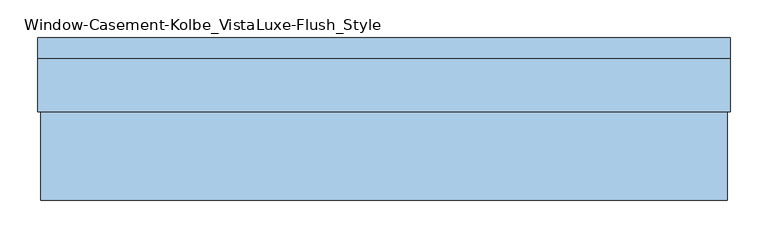
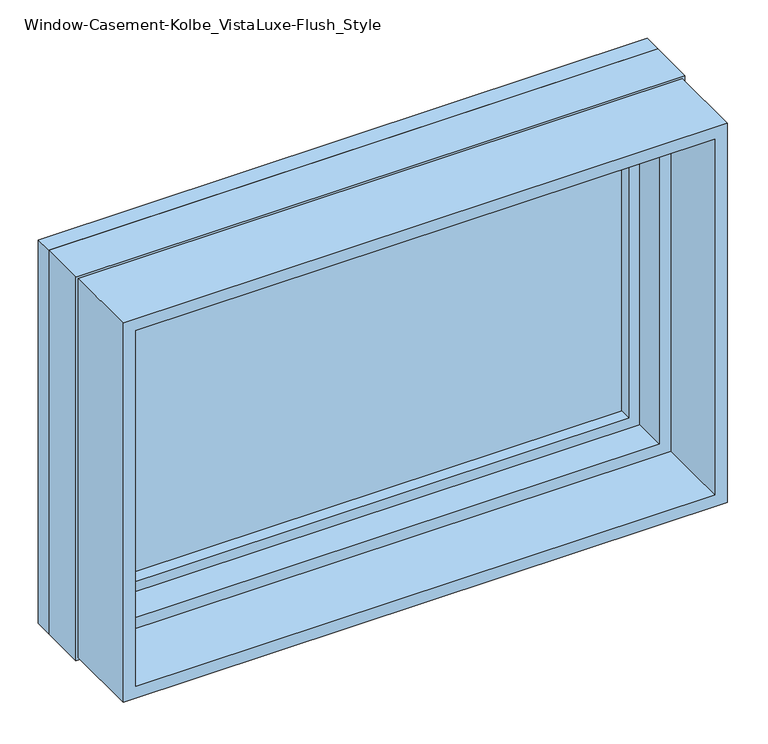
"""IFC4 building model written with IfcOpenShell, lengths in millimetres: window geometry, Window-Casement-Kolbe_VistaLuxe-Flush_Style."""

from ifc_helpers import new_model, si_unit, frame, origin, place, context, project, spatial, polyline, outline, extrude, faceted_brep, source, transform, mapped, element, save


def window_casement_kolbe_vistaluxe_flush_style_305bfb94(model_context):
    return source(origin(), model_context, "Body", "SolidModel", [
        faceted_brep([(-406.4696599, 111.85398, 970.676875), (395.3765901, 111.85398, 970.676875), (395.3765901, 119.79148, 970.676875), (-406.4696599, 119.79148, 970.676875), (-422.3446599, 89.60358, 954.801875), (411.2515901, 89.60358, 954.801875), (411.2515901, 111.85398, 954.801875), (-422.3446599, 111.85398, 954.801875), (-406.4696599, 70.57898, 970.676875), (395.3765901, 70.57898, 970.676875), (395.3765901, 89.60358, 970.676875), (-406.4696599, 89.60358, 970.676875), (-450.9196599, 119.79148, 926.226875), (439.8265901, 119.79148, 926.226875), (439.8265901, 70.57898, 926.226875), (-450.9196599, 70.57898, 926.226875), (395.3765901, 111.85398, 1467.723125), (395.3765901, 119.79148, 1467.723125), (411.2515901, 89.60358, 1483.598125), (411.2515901, 111.85398, 1483.598125), (395.3765901, 70.57898, 1467.723125), (395.3765901, 89.60358, 1467.723125), (439.8265901, 119.79148, 1512.173125), (439.8265901, 70.57898, 1512.173125), (-406.4696599, 111.85398, 1467.723125), (-406.4696599, 119.79148, 1467.723125), (-422.3446599, 89.60358, 1483.598125), (-422.3446599, 111.85398, 1483.598125), (-406.4696599, 70.57898, 1467.723125), (-406.4696599, 89.60358, 1467.723125), (-450.9196599, 119.79148, 1512.173125), (-450.9196599, 70.57898, 1512.173125)], [[[0, 1, 2, 3]], [[4, 5, 6, 7]], [[8, 9, 10, 11]], [[12, 13, 14, 15]], [[1, 16, 17, 2]], [[5, 18, 19, 6]], [[9, 20, 21, 10]], [[13, 22, 23, 14]], [[16, 24, 25, 17]], [[18, 26, 27, 19]], [[20, 28, 29, 21]], [[22, 30, 31, 23]], [[24, 0, 3, 25]], [[7, 6, 19, 27], [1, 0, 24, 16]], [[26, 4, 7, 27]], [[5, 4, 26, 18], [11, 10, 21, 29]], [[28, 8, 11, 29]], [[15, 14, 23, 31], [9, 8, 28, 20]], [[30, 12, 15, 31]], [[13, 12, 30, 22], [3, 2, 17, 25]]]),
        extrude(outline(polyline([(1520.4186, -459.1651349), (917.9814, -459.1651349), (917.9814, 448.0720651), (1520.4186, 448.0720651), (1520.4186, -459.1651349)]), holes=[polyline([(936.545625, -440.6009099), (1501.854375, -440.6009099), (1501.854375, 429.5078401), (936.545625, 429.5078401), (936.545625, -440.6009099)])]), frame((0.0, -93.6625, 0.0), z_axis=(0.0, 1.0, 0.0), x_axis=(0.0, 0.0, 1.0)), (0.0, 0.0, 1.0), 116.6622),
        extrude(outline(polyline([(1524.0, 451.6534651), (1524.0, -462.7465349), (914.4, -462.7465349), (914.4, 451.6534651), (1524.0, 451.6534651)]), holes=[polyline([(1512.173125, -450.9196599), (1512.173125, 439.8265901), (926.226875, 439.8265901), (926.226875, -450.9196599), (1512.173125, -450.9196599)])]), frame((0.0, 93.6625, 0.0), z_axis=(0.0, 1.0, 0.0), x_axis=(0.0, 0.0, 1.0)), (0.0, 0.0, 1.0), 26.924),
        faceted_brep([(451.6534651, 22.9997, 914.4), (-462.7465349, 22.9997, 914.4), (-462.7465349, 93.6625, 914.4), (451.6534651, 93.6625, 914.4), (429.5078401, 70.58025, 936.545625), (-440.6009099, 70.58025, 936.545625), (-440.6009099, 22.9997, 936.545625), (429.5078401, 22.9997, 936.545625), (439.8265901, 93.6625, 926.226875), (-450.9196599, 93.6625, 926.226875), (-450.9196599, 70.58025, 926.226875), (439.8265901, 70.58025, 926.226875), (-462.7465349, 22.9997, 1524.0), (-462.7465349, 93.6625, 1524.0), (-440.6009099, 70.58025, 1501.854375), (-440.6009099, 22.9997, 1501.854375), (-450.9196599, 93.6625, 1512.173125), (-450.9196599, 70.58025, 1512.173125), (451.6534651, 22.9997, 1524.0), (451.6534651, 93.6625, 1524.0), (429.5078401, 70.58025, 1501.854375), (429.5078401, 22.9997, 1501.854375), (439.8265901, 93.6625, 1512.173125), (439.8265901, 70.58025, 1512.173125)], [[[0, 1, 2, 3]], [[4, 5, 6, 7]], [[8, 9, 10, 11]], [[1, 12, 13, 2]], [[5, 14, 15, 6]], [[9, 16, 17, 10]], [[12, 18, 19, 13]], [[14, 20, 21, 15]], [[16, 22, 23, 17]], [[18, 0, 3, 19]], [[1, 0, 18, 12], [7, 6, 15, 21]], [[20, 4, 7, 21]], [[11, 10, 17, 23], [5, 4, 20, 14]], [[22, 8, 11, 23]], [[3, 2, 13, 19], [9, 8, 22, 16]]]),
        extrude(outline(polyline([(408.0765901, 92.77858), (408.0765901, 89.60358), (-419.1696599, 89.60358), (-419.1696599, 92.77858), (408.0765901, 92.77858)])), frame((0.0, 0.0, 957.976875), z_axis=(0.0, 0.0, 1.0), x_axis=(1.0, 0.0, 0.0)), (0.0, 0.0, 1.0), 522.44625),
        extrude(outline(polyline([(408.0765901, 108.67898), (-419.1696599, 108.67898), (-419.1696599, 111.85398), (408.0765901, 111.85398), (408.0765901, 108.67898)])), frame((0.0, 0.0, 957.976875), z_axis=(0.0, 0.0, 1.0), x_axis=(1.0, 0.0, 0.0)), (0.0, 0.0, 1.0), 522.44625),
        extrude(outline(polyline([(936.545625, -440.6009099), (936.545625, 429.5078401), (1501.854375, 429.5078401), (1501.854375, -440.6009099), (936.545625, -440.6009099)]), holes=[polyline([(954.801875, 411.2515901), (954.801875, -422.3446599), (1483.598125, -422.3446599), (1483.598125, 411.2515901), (954.801875, 411.2515901)])]), frame((0.0, 19.78025, 0.0), z_axis=(0.0, 1.0, 0.0), x_axis=(0.0, 0.0, 1.0)), (0.0, 0.0, 1.0), 50.8),
    ])


if __name__ == "__main__":
    model = new_model("IFC4")
    model_context = context("Model", 3, world=origin())
    ifc_project = project(units=[si_unit("LENGTHUNIT", "METRE", prefix="MILLI")], contexts=[model_context])
    site = spatial("IfcSite", under=ifc_project)
    building = spatial("IfcBuilding", under=site)
    placement = place(None, origin())
    window_casement_kolbe_vistaluxe_flush_style_shape = window_casement_kolbe_vistaluxe_flush_style_305bfb94(model_context)
    element("IfcWindow", 1, ObjectType="Window-Casement-Kolbe_VistaLuxe-Flush_Style", at=placement, inside=building, context=model_context, shape_type="MappedRepresentation", body=[
        mapped(window_casement_kolbe_vistaluxe_flush_style_shape, transform((0.0, 0.0, 0.0), x_axis=(1.0, 0.0, 0.0), y_axis=(0.0, 1.0, 0.0), z_axis=(0.0, 0.0, 1.0))),
    ])
    save(model, "model.ifc")
